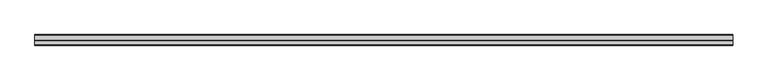
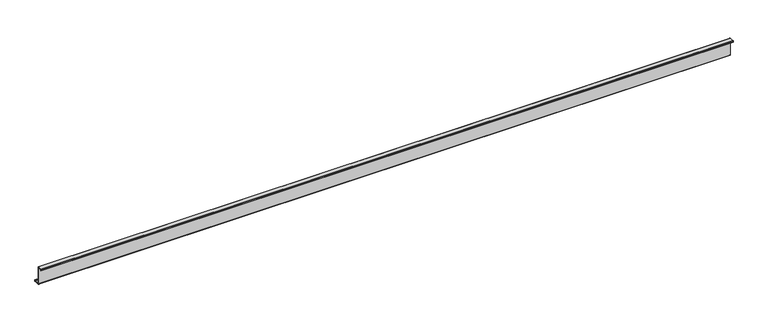
"""IFC4 building model written with IfcOpenShell, lengths in millimetres: member geometry."""

from ifc_helpers import new_model, si_unit, point, frame, frame_2d, origin, place, context, project, spatial, polyline, circle_curve, trimmed, segment, composite_curve, outline, extrude, source, transform, mapped, element, save


def member_a8a37ca1(model_context):
    return source(origin(), model_context, "Body", "SweptSolid", [
        extrude(outline(composite_curve([segment(polyline([(0.0, -123.5), (0.0, 123.5)]), True, "CONTINUOUS"), segment(trimmed(circle_curve(frame_2d((-2.0, 123.5)), 2.0), [point((0.0, 123.5))], [point((-2.0, 125.5))], True, "CARTESIAN"), True, "CONTINUOUS"), segment(polyline([(-2.0, 125.5), (-63.5, 125.5)]), True, "CONTINUOUS"), segment(trimmed(circle_curve(frame_2d((-63.5, 123.5)), 2.0), [point((-63.5, 125.5))], [point((-65.5, 123.5))], True, "CARTESIAN"), True, "CONTINUOUS"), segment(polyline([(-65.5, 123.5), (-65.5, 107.0), (-67.0, 107.0), (-67.0, 123.5)]), True, "CONTINUOUS"), segment(trimmed(circle_curve(frame_2d((-63.5, 123.5)), 3.5), [point((-67.0, 123.5))], [point((-63.5, 127.0))], False, "CARTESIAN"), True, "CONTINUOUS"), segment(polyline([(-63.5, 127.0), (-2.0, 127.0)]), True, "CONTINUOUS"), segment(trimmed(circle_curve(frame_2d((-2.0, 123.5)), 3.5), [point((-2.0, 127.0))], [point((1.5, 123.5))], False, "CARTESIAN"), True, "CONTINUOUS"), segment(polyline([(1.5, 123.5), (1.5, -123.5)]), True, "CONTINUOUS"), segment(trimmed(circle_curve(frame_2d((3.5, -123.5)), 2.0), [point((1.5, -123.5))], [point((3.5, -125.5))], True, "CARTESIAN"), True, "CONTINUOUS"), segment(polyline([(3.5, -125.5), (75.0, -125.5)]), True, "CONTINUOUS"), segment(trimmed(circle_curve(frame_2d((75.0, -123.5)), 2.0), [point((75.0, -125.5))], [point((77.0, -123.5))], True, "CARTESIAN"), True, "CONTINUOUS"), segment(polyline([(77.0, -123.5), (77.0, -107.5), (78.5, -107.5), (78.5, -123.5)]), True, "CONTINUOUS"), segment(trimmed(circle_curve(frame_2d((75.0, -123.5)), 3.5), [point((78.5, -123.5))], [point((75.0, -127.0))], False, "CARTESIAN"), True, "CONTINUOUS"), segment(polyline([(75.0, -127.0), (3.5, -127.0)]), True, "CONTINUOUS"), segment(trimmed(circle_curve(frame_2d((3.5, -123.5)), 3.5), [point((3.5, -127.0))], [point((0.0, -123.5))], False, "CARTESIAN"), True, "CONTINUOUS")], self_intersect=False)), frame((-4420.0, 0.0, 0.0), z_axis=(1.0, 0.0, 0.0), x_axis=(0.0, 1.0, 0.0)), (0.0, 0.0, 1.0), 9590.0),
    ])


if __name__ == "__main__":
    model = new_model("IFC4")
    model_context = context("Model", 3, world=origin())
    ifc_project = project(units=[si_unit("LENGTHUNIT", "METRE", prefix="MILLI")], contexts=[model_context])
    site = spatial("IfcSite", under=ifc_project)
    building = spatial("IfcBuilding", under=site)
    placement = place(None, origin())
    member_shape = member_a8a37ca1(model_context)
    element("IfcMember", 1, at=placement, inside=building, context=model_context, shape_type="MappedRepresentation", body=[
        mapped(member_shape, transform((0.0, 0.0, 0.0), x_axis=(1.0, 0.0, 0.0), y_axis=(0.0, 1.0, 0.0), z_axis=(0.0, 0.0, 1.0))),
    ])
    save(model, "model.ifc")
